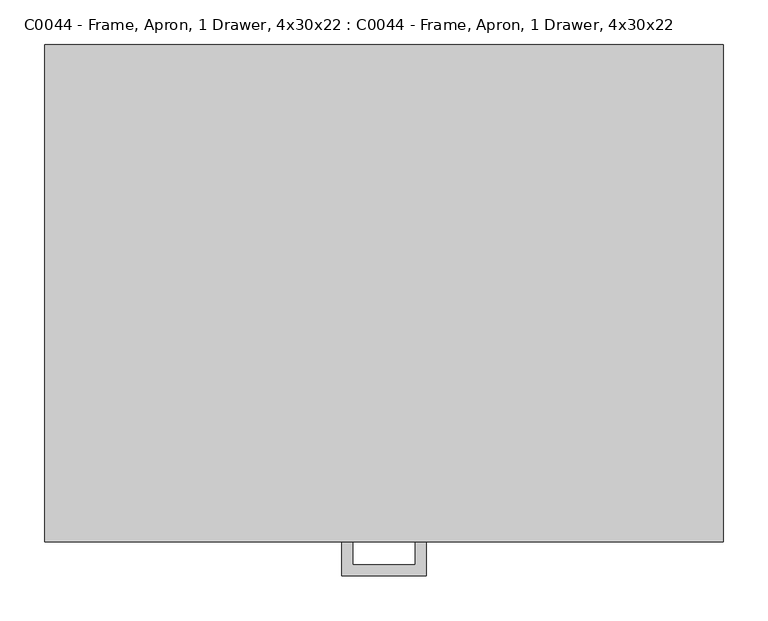
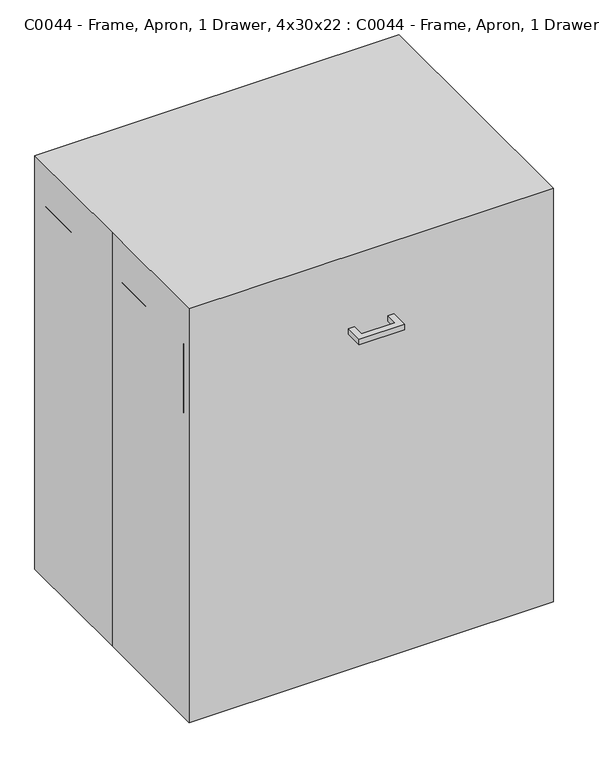
"""IFC4 building model written with IfcOpenShell, lengths in millimetres: proxy geometry, C0044 - Frame, Apron, 1 Drawer, 4x30x22 : C0044 - Frame, Apron, 1 Drawer, 4x30x22."""

from ifc_helpers import new_model, si_unit, frame, origin, origin_with_axes, place, context, project, spatial, polyline, outline, extrude, source, transform, mapped, element, save


def c0044_frame_apron_1_drawer_4x30x22_c0044_frame_apron_1_903a746e(model_context):
    return source(origin(), model_context, "Body", "SweptSolid", [
        extrude(outline(polyline([(-47.625, -317.5), (-47.625, -279.4), (-34.9409299, -279.4), (-34.9409299, -304.8159299), (34.9409299, -304.8159299), (34.9409299, -279.4), (47.625, -279.4), (47.625, -317.5), (-47.625, -317.5)])), frame((0.0, 0.0, 741.3462383), z_axis=(0.0, 0.0, 1.0), x_axis=(1.0, 0.0, 0.0)), (0.0, 0.0, 1.0), 12.7),
        extrude(outline(polyline([(-381.0, 279.4), (381.0, 279.4), (381.0, -279.4), (-381.0, -279.4), (-381.0, 0.0), (-381.0, 279.4)])), origin_with_axes(), (0.0, 0.0, 1.0), 914.4),
        extrude(outline(polyline([(361.95, -260.35), (361.95, 279.4), (381.0, 279.4), (381.0, -260.35), (361.95, -260.35)])), frame((0.0, 0.0, 673.0674767), z_axis=(0.0, 0.0, 1.0), x_axis=(1.0, 0.0, 0.0)), (0.0, 0.0, 1.0), 152.4),
        extrude(outline(polyline([(-381.0, -260.35), (-381.0, 279.4), (-361.95, 279.4), (-361.95, -260.35), (-381.0, -260.35)])), frame((0.0, 0.0, 673.0674767), z_axis=(0.0, 0.0, 1.0), x_axis=(1.0, 0.0, 0.0)), (0.0, 0.0, 1.0), 152.4),
        extrude(outline(polyline([(381.0, -279.4), (-381.0, -279.4), (-381.0, -260.35), (381.0, -260.35), (381.0, -279.4)])), frame((0.0, 0.0, 673.0674767), z_axis=(0.0, 0.0, 1.0), x_axis=(1.0, 0.0, 0.0)), (0.0, 0.0, 1.0), 152.4),
        extrude(outline(polyline([(361.95, 260.35), (361.95, -260.35), (-361.95, -260.35), (-361.95, 260.35), (361.95, 260.35)])), frame((0.0, 0.0, 673.0674767), z_axis=(0.0, 0.0, 1.0), x_axis=(1.0, 0.0, 0.0)), (0.0, 0.0, 1.0), 19.1166954),
        extrude(outline(polyline([(361.95, 260.35), (-361.95, 260.35), (-361.95, 279.4), (361.95, 279.4), (361.95, 260.35)])), frame((0.0, 0.0, 673.0674767), z_axis=(0.0, 0.0, 1.0), x_axis=(1.0, 0.0, 0.0)), (0.0, 0.0, 1.0), 133.35),
    ])


if __name__ == "__main__":
    model = new_model("IFC4")
    model_context = context("Model", 3, world=origin())
    ifc_project = project(units=[si_unit("LENGTHUNIT", "METRE", prefix="MILLI")], contexts=[model_context])
    site = spatial("IfcSite", under=ifc_project)
    building = spatial("IfcBuilding", under=site)
    placement = place(None, origin())
    c0044_frame_apron_1_drawer_4x30x22_c0044_frame_apron_1_shape = c0044_frame_apron_1_drawer_4x30x22_c0044_frame_apron_1_903a746e(model_context)
    element("IfcBuildingElementProxy", 1, Name="C0044 - Frame, Apron, 1 Drawer, 4x30x22 : C0044 - Frame, Apron, 1 Drawer, 4x30x22", ObjectType="C0044 - Frame, Apron, 1 Drawer, 4x30x22 : C0044 - Frame, Apron, 1 Drawer, 4x30x22", at=placement, inside=building, context=model_context, shape_type="MappedRepresentation", body=[
        mapped(c0044_frame_apron_1_drawer_4x30x22_c0044_frame_apron_1_shape, transform((0.0, 0.0, 0.0), x_axis=(1.0, 0.0, 0.0), y_axis=(0.0, 1.0, 0.0), z_axis=(0.0, 0.0, 1.0))),
    ])
    save(model, "model.ifc")
